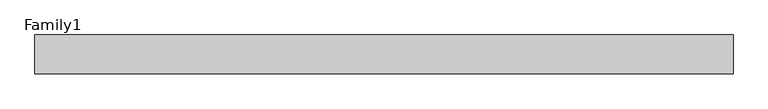
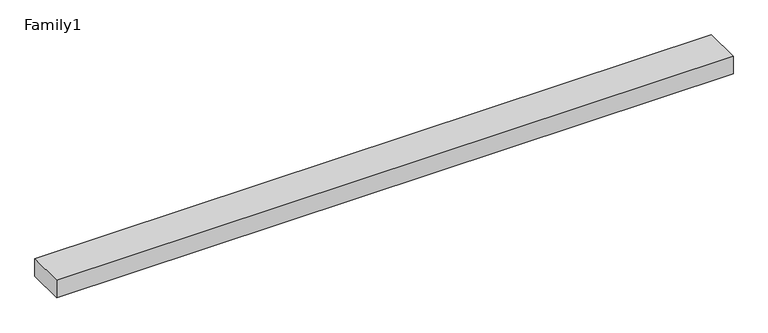
"""IFC4 building model written with IfcOpenShell, lengths in millimetres: proxy geometry, Family1."""

from ifc_helpers import new_model, si_unit, origin, origin_with_axes, place, context, project, spatial, polyline, outline, extrude, source, transform, mapped, element, save


def family1_e09f084d(model_context):
    return source(origin(), model_context, "Body", "SweptSolid", [
        extrude(outline(polyline([(90000.0, 0.0), (0.0, 0.0), (0.0, 5000.0), (90000.0, 5000.0), (90000.0, 0.0)])), origin_with_axes(), (0.0, 0.0, 1.0), 2458.0),
    ])


if __name__ == "__main__":
    model = new_model("IFC4")
    model_context = context("Model", 3, world=origin())
    ifc_project = project(units=[si_unit("LENGTHUNIT", "METRE", prefix="MILLI")], contexts=[model_context])
    site = spatial("IfcSite", under=ifc_project)
    building = spatial("IfcBuilding", under=site)
    placement = place(None, origin())
    family1_shape = family1_e09f084d(model_context)
    element("IfcBuildingElementProxy", 1, Name="Family1", ObjectType="Family1", at=placement, inside=building, context=model_context, shape_type="MappedRepresentation", body=[
        mapped(family1_shape, transform((0.0, 0.0, 0.0), x_axis=(1.0, 0.0, 0.0), y_axis=(0.0, 1.0, 0.0), z_axis=(0.0, 0.0, 1.0))),
    ])
    save(model, "model.ifc")
